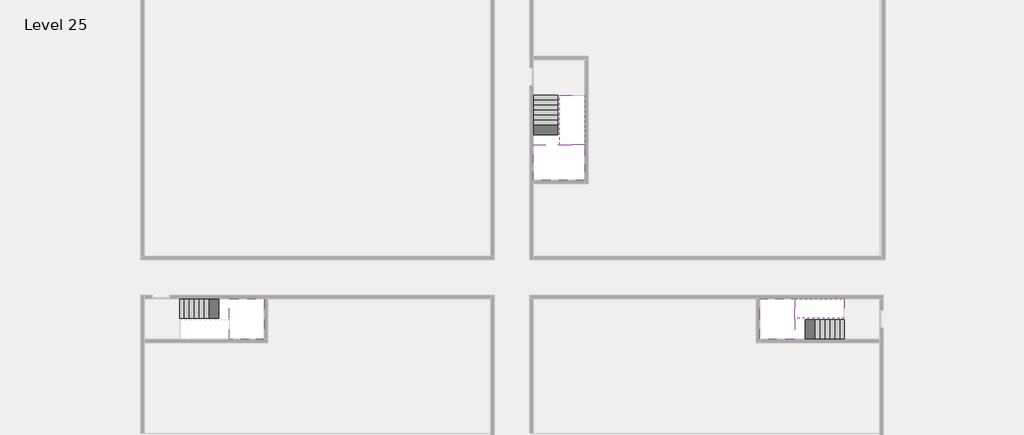
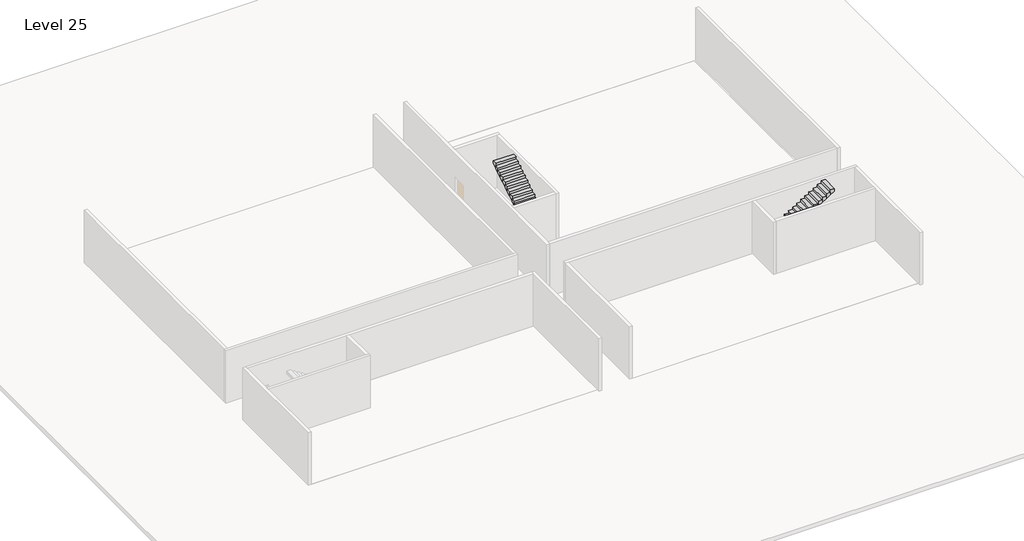
# One storey, part 2 of 2: 5 stair flights, 3 slabs.
"""IFC4 building model written with IfcOpenShell, lengths in millimetres."""

from ifc_helpers import new_model, si_unit, origin, place, context, project, spatial, faceted_brep, element, save

model = new_model("IFC4")

# Units and contexts
model_context = context("Model", 3, world=origin())
ifc_project = project(units=[si_unit("LENGTHUNIT", "METRE", prefix="MILLI")], contexts=[model_context])

# Site, building, storey
site = spatial("IfcSite", under=ifc_project)
building = spatial("IfcBuilding", under=site)
storey = spatial("IfcBuildingStorey", under=building, Name="Level 25", Elevation=91200.0)

# Slabs
placement = place(None, origin())
element("IfcSlab", 1, at=placement, inside=storey, context=model_context, shape_type="Brep", body=[
    faceted_brep([(8190.1058784, -42918.09644, 93100.0), (8190.1058784, -44018.09644, 93100.0), (8190.1058784, -44118.09644, 93100.0), (8190.1058784, -45218.09644, 93100.0), (8390.7194421, -45218.09644, 93100.0), (10190.1058784, -45218.09644, 93100.0), (10190.1058784, -42918.09644, 93100.0), (8269.4923146, -42918.09644, 93100.0), (8190.1058784, -42918.09644, 92927.2727273), (8190.1058784, -42918.09644, 92751.0278478), (8190.1058784, -44018.09644, 92751.0278478), (8190.1058784, -44018.09644, 92800.0), (8190.1058784, -44118.09644, 92800.0), (8190.1058784, -44118.09644, 92923.7551205), (8190.1058784, -45218.09644, 92923.7551205), (8390.7194421, -45218.09644, 92800.0), (10190.1058784, -45218.09644, 92800.0), (10190.1058784, -42918.09644, 92800.0), (8269.4923146, -42918.09644, 92800.0), (8390.7194421, -44118.09644, 92800.0), (8269.4923146, -44018.09644, 92800.0)], [[[0, 1, 2, 3, 4, 5, 6, 7]], [[1, 0, 8, 9, 10, 11]], [[2, 1, 11, 12, 13]], [[3, 2, 13, 14]], [[3, 14, 15, 16, 5, 4]], [[6, 5, 16, 17]], [[9, 8, 0, 7, 6, 17, 18]], [[19, 12, 11, 20, 18, 17, 16, 15]], [[12, 19, 13]], [[18, 20, 10, 9]], [[20, 11, 10]], [[19, 15, 14, 13]]]),
])
element("IfcSlab", 2, at=placement, inside=storey, context=model_context, shape_type="Brep", body=[
    faceted_brep([(40190.1058784, -45218.09644, 93100.0), (40190.1058784, -44118.09644, 93100.0), (40190.1058784, -44018.09644, 93100.0), (40190.1058784, -42918.09644, 93100.0), (39989.4923146, -42918.09644, 93100.0), (38190.1058784, -42918.09644, 93100.0), (38190.1058784, -45218.09644, 93100.0), (40110.7194421, -45218.09644, 93100.0), (40190.1058784, -45218.09644, 92927.2727273), (40190.1058784, -45218.09644, 92751.0278478), (40190.1058784, -44118.09644, 92751.0278478), (40190.1058784, -44118.09644, 92800.0), (40190.1058784, -44018.09644, 92800.0), (40190.1058784, -44018.09644, 92923.7551205), (40190.1058784, -42918.09644, 92923.7551205), (39989.4923146, -42918.09644, 92800.0), (38190.1058784, -42918.09644, 92800.0), (38190.1058784, -45218.09644, 92800.0), (40110.7194421, -45218.09644, 92800.0), (39989.4923146, -44018.09644, 92800.0), (40110.7194421, -44118.09644, 92800.0)], [[[0, 1, 2, 3, 4, 5, 6, 7]], [[1, 0, 8, 9, 10, 11]], [[2, 1, 11, 12, 13]], [[3, 2, 13, 14]], [[3, 14, 15, 16, 5, 4]], [[6, 5, 16, 17]], [[9, 8, 0, 7, 6, 17, 18]], [[19, 12, 11, 20, 18, 17, 16, 15]], [[12, 19, 13]], [[18, 20, 10, 9]], [[20, 11, 10]], [[19, 15, 14, 13]]]),
])
element("IfcSlab", 3, at=placement, inside=storey, context=model_context, shape_type="Brep", body=[
    faceted_brep([(26790.1058784, -34218.09644, 93100.0), (25390.1058784, -34218.09644, 93100.0), (25390.1058784, -34297.4828763, 93100.0), (25390.1058784, -36218.09644, 93100.0), (28290.1058784, -36218.09644, 93100.0), (28290.1058784, -34418.7100038, 93100.0), (28290.1058784, -34218.09644, 93100.0), (26890.1058784, -34218.09644, 93100.0), (26790.1058784, -34218.09644, 92800.0), (26790.1058784, -34218.09644, 92751.0278478), (25390.1058784, -34218.09644, 92751.0278478), (25390.1058784, -34218.09644, 92927.2727273), (25390.1058784, -34297.4828763, 92800.0), (25390.1058784, -36218.09644, 92800.0), (28290.1058784, -36218.09644, 92800.0), (28290.1058784, -34418.7100038, 92800.0), (28290.1058784, -34218.09644, 92923.7551205), (26890.1058784, -34218.09644, 92923.7551205), (26890.1058784, -34218.09644, 92800.0), (26890.1058784, -34418.7100038, 92800.0), (26790.1058784, -34297.4828763, 92800.0)], [[[0, 1, 2, 3, 4, 5, 6, 7]], [[1, 0, 8, 9, 10, 11]], [[1, 11, 10, 12, 13, 3, 2]], [[4, 3, 13, 14]], [[4, 14, 15, 16, 6, 5]], [[7, 6, 16, 17]], [[0, 7, 17, 18, 8]], [[18, 19, 15, 14, 13, 12, 20, 8]], [[19, 18, 17]], [[20, 12, 10, 9]], [[8, 20, 9]], [[15, 19, 17, 16]]]),
])

# Stair flights
element("IfcStairFlight", 4, at=placement, inside=storey, context=model_context, shape_type="Brep", body=[
    faceted_brep([(5670.1058784, -42918.09644, 91372.7272727), (5390.1058784, -42918.09644, 91372.7272727), (5390.1058784, -44018.09644, 91372.7272727), (5670.1058784, -44018.09644, 91372.7272727), (5670.1058784, -42918.09644, 91200.0), (5390.1058784, -42918.09644, 91200.0), (5390.1058784, -44018.09644, 91200.0), (5670.1058784, -44018.09644, 91200.0), (5950.1058784, -42918.09644, 91545.4545455), (5670.1058784, -42918.09644, 91545.4545455), (5670.1058784, -44018.09644, 91545.4545455), (5950.1058784, -44018.09644, 91545.4545455), (5950.1058784, -42918.09644, 91369.209666), (5675.8081041, -42918.09644, 91200.0), (5675.8081041, -44018.09644, 91200.0), (5950.1058784, -44018.09644, 91369.209666), (6230.1058784, -42918.09644, 91718.1818182), (5950.1058784, -42918.09644, 91718.1818182), (5950.1058784, -44018.09644, 91718.1818182), (6230.1058784, -44018.09644, 91718.1818182), (6230.1058784, -42918.09644, 91541.9369387), (6230.1058784, -44018.09644, 91541.9369387), (6510.1058784, -42918.09644, 91890.9090909), (6230.1058784, -42918.09644, 91890.9090909), (6230.1058784, -44018.09644, 91890.9090909), (6510.1058784, -44018.09644, 91890.9090909), (6510.1058784, -42918.09644, 91714.6642114), (6510.1058784, -44018.09644, 91714.6642114), (6790.1058784, -42918.09644, 92063.6363636), (6510.1058784, -42918.09644, 92063.6363636), (6510.1058784, -44018.09644, 92063.6363636), (6790.1058784, -44018.09644, 92063.6363636), (6790.1058784, -42918.09644, 91887.3914841), (6790.1058784, -44018.09644, 91887.3914841), (7070.1058784, -42918.09644, 92236.3636364), (6790.1058784, -42918.09644, 92236.3636364), (6790.1058784, -44018.09644, 92236.3636364), (7070.1058784, -44018.09644, 92236.3636364), (7070.1058784, -42918.09644, 92060.1187569), (7070.1058784, -44018.09644, 92060.1187569), (7350.1058784, -42918.09644, 92409.0909091), (7070.1058784, -42918.09644, 92409.0909091), (7070.1058784, -44018.09644, 92409.0909091), (7350.1058784, -44018.09644, 92409.0909091), (7350.1058784, -42918.09644, 92232.8460296), (7350.1058784, -44018.09644, 92232.8460296), (7630.1058784, -42918.09644, 92581.8181818), (7350.1058784, -42918.09644, 92581.8181818), (7350.1058784, -44018.09644, 92581.8181818), (7630.1058784, -44018.09644, 92581.8181818), (7630.1058784, -42918.09644, 92405.5733023), (7630.1058784, -44018.09644, 92405.5733023), (7910.1058784, -42918.09644, 92754.5454545), (7630.1058784, -42918.09644, 92754.5454545), (7630.1058784, -44018.09644, 92754.5454545), (7910.1058784, -44018.09644, 92754.5454545), (7910.1058784, -42918.09644, 92578.3005751), (7910.1058784, -44018.09644, 92578.3005751), (8190.1058784, -42918.09644, 92927.2727273), (7910.1058784, -42918.09644, 92927.2727273), (7910.1058784, -44018.09644, 92927.2727273), (8190.1058784, -44018.09644, 92927.2727273), (8190.1058784, -42918.09644, 92751.0278478), (8190.1058784, -44018.09644, 92751.0278478), (8190.1058784, -44018.09644, 92800.0)], [[[0, 1, 2, 3]], [[1, 0, 4, 5]], [[2, 1, 5, 6]], [[3, 2, 6, 7]], [[8, 9, 10, 11]], [[4, 0, 9, 8, 12, 13]], [[0, 3, 10, 9]], [[3, 7, 14, 15, 11, 10]], [[16, 17, 18, 19]], [[17, 16, 20, 12, 8]], [[8, 11, 18, 17]], [[19, 18, 11, 15, 21]], [[22, 23, 24, 25]], [[23, 22, 26, 20, 16]], [[16, 19, 24, 23]], [[25, 24, 19, 21, 27]], [[28, 29, 30, 31]], [[29, 28, 32, 26, 22]], [[22, 25, 30, 29]], [[31, 30, 25, 27, 33]], [[34, 35, 36, 37]], [[35, 34, 38, 32, 28]], [[28, 31, 36, 35]], [[37, 36, 31, 33, 39]], [[40, 41, 42, 43]], [[41, 40, 44, 38, 34]], [[34, 37, 42, 41]], [[43, 42, 37, 39, 45]], [[46, 47, 48, 49]], [[47, 46, 50, 44, 40]], [[40, 43, 48, 47]], [[49, 48, 43, 45, 51]], [[52, 53, 54, 55]], [[53, 52, 56, 50, 46]], [[46, 49, 54, 53]], [[55, 54, 49, 51, 57]], [[58, 59, 60, 61]], [[59, 58, 62, 56, 52]], [[52, 55, 60, 59]], [[61, 60, 55, 57, 63, 64]], [[58, 61, 64, 63, 62]], [[5, 4, 13, 14, 7, 6]], [[14, 13, 12, 20, 26, 32, 38, 44, 50, 56, 62, 63, 57, 51, 45, 39, 33, 27, 21, 15]]]),
])
element("IfcStairFlight", 5, at=placement, inside=storey, context=model_context, shape_type="Brep", body=[
    faceted_brep([(42710.1058784, -45218.09644, 91372.7272727), (42990.1058784, -45218.09644, 91372.7272727), (42990.1058784, -44118.09644, 91372.7272727), (42710.1058784, -44118.09644, 91372.7272727), (42710.1058784, -45218.09644, 91200.0), (42990.1058784, -45218.09644, 91200.0), (42990.1058784, -44118.09644, 91200.0), (42710.1058784, -44118.09644, 91200.0), (42430.1058784, -45218.09644, 91545.4545455), (42710.1058784, -45218.09644, 91545.4545455), (42710.1058784, -44118.09644, 91545.4545455), (42430.1058784, -44118.09644, 91545.4545455), (42430.1058784, -45218.09644, 91369.209666), (42704.4036527, -45218.09644, 91200.0), (42704.4036527, -44118.09644, 91200.0), (42430.1058784, -44118.09644, 91369.209666), (42150.1058784, -45218.09644, 91718.1818182), (42430.1058784, -45218.09644, 91718.1818182), (42430.1058784, -44118.09644, 91718.1818182), (42150.1058784, -44118.09644, 91718.1818182), (42150.1058784, -45218.09644, 91541.9369387), (42150.1058784, -44118.09644, 91541.9369387), (41870.1058784, -45218.09644, 91890.9090909), (42150.1058784, -45218.09644, 91890.9090909), (42150.1058784, -44118.09644, 91890.9090909), (41870.1058784, -44118.09644, 91890.9090909), (41870.1058784, -45218.09644, 91714.6642114), (41870.1058784, -44118.09644, 91714.6642114), (41590.1058784, -45218.09644, 92063.6363636), (41870.1058784, -45218.09644, 92063.6363636), (41870.1058784, -44118.09644, 92063.6363636), (41590.1058784, -44118.09644, 92063.6363636), (41590.1058784, -45218.09644, 91887.3914841), (41590.1058784, -44118.09644, 91887.3914841), (41310.1058784, -45218.09644, 92236.3636364), (41590.1058784, -45218.09644, 92236.3636364), (41590.1058784, -44118.09644, 92236.3636364), (41310.1058784, -44118.09644, 92236.3636364), (41310.1058784, -45218.09644, 92060.1187569), (41310.1058784, -44118.09644, 92060.1187569), (41030.1058784, -45218.09644, 92409.0909091), (41310.1058784, -45218.09644, 92409.0909091), (41310.1058784, -44118.09644, 92409.0909091), (41030.1058784, -44118.09644, 92409.0909091), (41030.1058784, -45218.09644, 92232.8460296), (41030.1058784, -44118.09644, 92232.8460296), (40750.1058784, -45218.09644, 92581.8181818), (41030.1058784, -45218.09644, 92581.8181818), (41030.1058784, -44118.09644, 92581.8181818), (40750.1058784, -44118.09644, 92581.8181818), (40750.1058784, -45218.09644, 92405.5733023), (40750.1058784, -44118.09644, 92405.5733023), (40470.1058784, -45218.09644, 92754.5454545), (40750.1058784, -45218.09644, 92754.5454545), (40750.1058784, -44118.09644, 92754.5454545), (40470.1058784, -44118.09644, 92754.5454545), (40470.1058784, -45218.09644, 92578.3005751), (40470.1058784, -44118.09644, 92578.3005751), (40190.1058784, -45218.09644, 92927.2727273), (40470.1058784, -45218.09644, 92927.2727273), (40470.1058784, -44118.09644, 92927.2727273), (40190.1058784, -44118.09644, 92927.2727273), (40190.1058784, -45218.09644, 92751.0278478), (40190.1058784, -44118.09644, 92751.0278478), (40190.1058784, -44118.09644, 92800.0)], [[[0, 1, 2, 3]], [[1, 0, 4, 5]], [[2, 1, 5, 6]], [[3, 2, 6, 7]], [[8, 9, 10, 11]], [[4, 0, 9, 8, 12, 13]], [[0, 3, 10, 9]], [[3, 7, 14, 15, 11, 10]], [[16, 17, 18, 19]], [[17, 16, 20, 12, 8]], [[8, 11, 18, 17]], [[19, 18, 11, 15, 21]], [[22, 23, 24, 25]], [[23, 22, 26, 20, 16]], [[16, 19, 24, 23]], [[25, 24, 19, 21, 27]], [[28, 29, 30, 31]], [[29, 28, 32, 26, 22]], [[22, 25, 30, 29]], [[31, 30, 25, 27, 33]], [[34, 35, 36, 37]], [[35, 34, 38, 32, 28]], [[28, 31, 36, 35]], [[37, 36, 31, 33, 39]], [[40, 41, 42, 43]], [[41, 40, 44, 38, 34]], [[34, 37, 42, 41]], [[43, 42, 37, 39, 45]], [[46, 47, 48, 49]], [[47, 46, 50, 44, 40]], [[40, 43, 48, 47]], [[49, 48, 43, 45, 51]], [[52, 53, 54, 55]], [[53, 52, 56, 50, 46]], [[46, 49, 54, 53]], [[55, 54, 49, 51, 57]], [[58, 59, 60, 61]], [[59, 58, 62, 56, 52]], [[52, 55, 60, 59]], [[61, 60, 55, 57, 63, 64]], [[58, 61, 64, 63, 62]], [[5, 4, 13, 14, 7, 6]], [[14, 13, 12, 20, 26, 32, 38, 44, 50, 56, 62, 63, 57, 51, 45, 39, 33, 27, 21, 15]]]),
])
element("IfcStairFlight", 6, at=placement, inside=storey, context=model_context, shape_type="Brep", body=[
    faceted_brep([(40470.1058784, -42918.09644, 93272.7272727), (40190.1058784, -42918.09644, 93272.7272727), (40190.1058784, -44018.09644, 93272.7272727), (40470.1058784, -44018.09644, 93272.7272727), (40470.1058784, -42918.09644, 93096.4823932), (40190.1058784, -42918.09644, 92923.7551205), (40190.1058784, -42918.09644, 93100.0), (40190.1058784, -44018.09644, 92923.7551205), (40470.1058784, -44018.09644, 93096.4823932), (40750.1058784, -42918.09644, 93445.4545455), (40470.1058784, -42918.09644, 93445.4545455), (40470.1058784, -44018.09644, 93445.4545455), (40750.1058784, -44018.09644, 93445.4545455), (40750.1058784, -42918.09644, 93269.209666), (40750.1058784, -44018.09644, 93269.209666), (41030.1058784, -42918.09644, 93618.1818182), (40750.1058784, -42918.09644, 93618.1818182), (40750.1058784, -44018.09644, 93618.1818182), (41030.1058784, -44018.09644, 93618.1818182), (41030.1058784, -42918.09644, 93441.9369387), (41030.1058784, -44018.09644, 93441.9369387), (41310.1058784, -42918.09644, 93790.9090909), (41030.1058784, -42918.09644, 93790.9090909), (41030.1058784, -44018.09644, 93790.9090909), (41310.1058784, -44018.09644, 93790.9090909), (41310.1058784, -42918.09644, 93614.6642114), (41310.1058784, -44018.09644, 93614.6642114), (41590.1058784, -42918.09644, 93963.6363636), (41310.1058784, -42918.09644, 93963.6363636), (41310.1058784, -44018.09644, 93963.6363636), (41590.1058784, -44018.09644, 93963.6363636), (41590.1058784, -42918.09644, 93787.3914841), (41590.1058784, -44018.09644, 93787.3914841), (41870.1058784, -42918.09644, 94136.3636364), (41590.1058784, -42918.09644, 94136.3636364), (41590.1058784, -44018.09644, 94136.3636364), (41870.1058784, -44018.09644, 94136.3636364), (41870.1058784, -42918.09644, 93960.1187569), (41870.1058784, -44018.09644, 93960.1187569), (42150.1058784, -42918.09644, 94309.0909091), (41870.1058784, -42918.09644, 94309.0909091), (41870.1058784, -44018.09644, 94309.0909091), (42150.1058784, -44018.09644, 94309.0909091), (42150.1058784, -42918.09644, 94132.8460296), (42150.1058784, -44018.09644, 94132.8460296), (42430.1058784, -42918.09644, 94481.8181818), (42150.1058784, -42918.09644, 94481.8181818), (42150.1058784, -44018.09644, 94481.8181818), (42430.1058784, -44018.09644, 94481.8181818), (42430.1058784, -42918.09644, 94305.5733023), (42430.1058784, -44018.09644, 94305.5733023), (42710.1058784, -42918.09644, 94654.5454545), (42430.1058784, -42918.09644, 94654.5454545), (42430.1058784, -44018.09644, 94654.5454545), (42710.1058784, -44018.09644, 94654.5454545), (42710.1058784, -42918.09644, 94478.3005751), (42710.1058784, -44018.09644, 94478.3005751), (42990.1058784, -42918.09644, 94827.2727273), (42710.1058784, -42918.09644, 94827.2727273), (42710.1058784, -44018.09644, 94827.2727273), (42990.1058784, -44018.09644, 94827.2727273), (42990.1058784, -42918.09644, 94651.0278478), (42990.1058784, -44018.09644, 94651.0278478)], [[[0, 1, 2, 3]], [[1, 0, 4, 5, 6]], [[2, 1, 6, 5, 7]], [[3, 2, 7, 8]], [[9, 10, 11, 12]], [[10, 9, 13, 4, 0]], [[11, 10, 0, 3]], [[12, 11, 3, 8, 14]], [[15, 16, 17, 18]], [[16, 15, 19, 13, 9]], [[17, 16, 9, 12]], [[18, 17, 12, 14, 20]], [[21, 22, 23, 24]], [[22, 21, 25, 19, 15]], [[23, 22, 15, 18]], [[24, 23, 18, 20, 26]], [[27, 28, 29, 30]], [[28, 27, 31, 25, 21]], [[29, 28, 21, 24]], [[30, 29, 24, 26, 32]], [[33, 34, 35, 36]], [[34, 33, 37, 31, 27]], [[35, 34, 27, 30]], [[36, 35, 30, 32, 38]], [[39, 40, 41, 42]], [[40, 39, 43, 37, 33]], [[41, 40, 33, 36]], [[42, 41, 36, 38, 44]], [[45, 46, 47, 48]], [[46, 45, 49, 43, 39]], [[47, 46, 39, 42]], [[48, 47, 42, 44, 50]], [[51, 52, 53, 54]], [[52, 51, 55, 49, 45]], [[53, 52, 45, 48]], [[54, 53, 48, 50, 56]], [[57, 58, 59, 60]], [[58, 57, 61, 55, 51]], [[59, 58, 51, 54]], [[60, 59, 54, 56, 62]], [[57, 60, 62, 61]], [[5, 4, 13, 19, 25, 31, 37, 43, 49, 55, 61, 62, 56, 50, 44, 38, 32, 26, 20, 14, 8, 7]]]),
])
element("IfcStairFlight", 7, at=placement, inside=storey, context=model_context, shape_type="Brep", body=[
    faceted_brep([(26790.1058784, -31698.09644, 91372.7272727), (26790.1058784, -31418.09644, 91372.7272727), (25390.1058784, -31418.09644, 91372.7272727), (25390.1058784, -31698.09644, 91372.7272727), (26790.1058784, -31698.09644, 91200.0), (26790.1058784, -31418.09644, 91200.0), (25390.1058784, -31418.09644, 91200.0), (25390.1058784, -31698.09644, 91200.0), (26790.1058784, -31978.09644, 91545.4545455), (26790.1058784, -31698.09644, 91545.4545455), (25390.1058784, -31698.09644, 91545.4545455), (25390.1058784, -31978.09644, 91545.4545455), (26790.1058784, -31978.09644, 91369.209666), (26790.1058784, -31703.7986657, 91200.0), (25390.1058784, -31703.7986657, 91200.0), (25390.1058784, -31978.09644, 91369.209666), (26790.1058784, -32258.09644, 91718.1818182), (26790.1058784, -31978.09644, 91718.1818182), (25390.1058784, -31978.09644, 91718.1818182), (25390.1058784, -32258.09644, 91718.1818182), (26790.1058784, -32258.09644, 91541.9369387), (25390.1058784, -32258.09644, 91541.9369387), (26790.1058784, -32538.09644, 91890.9090909), (26790.1058784, -32258.09644, 91890.9090909), (25390.1058784, -32258.09644, 91890.9090909), (25390.1058784, -32538.09644, 91890.9090909), (26790.1058784, -32538.09644, 91714.6642114), (25390.1058784, -32538.09644, 91714.6642114), (26790.1058784, -32818.09644, 92063.6363636), (26790.1058784, -32538.09644, 92063.6363636), (25390.1058784, -32538.09644, 92063.6363636), (25390.1058784, -32818.09644, 92063.6363636), (26790.1058784, -32818.09644, 91887.3914841), (25390.1058784, -32818.09644, 91887.3914841), (26790.1058784, -33098.09644, 92236.3636364), (26790.1058784, -32818.09644, 92236.3636364), (25390.1058784, -32818.09644, 92236.3636364), (25390.1058784, -33098.09644, 92236.3636364), (26790.1058784, -33098.09644, 92060.1187569), (25390.1058784, -33098.09644, 92060.1187569), (26790.1058784, -33378.09644, 92409.0909091), (26790.1058784, -33098.09644, 92409.0909091), (25390.1058784, -33098.09644, 92409.0909091), (25390.1058784, -33378.09644, 92409.0909091), (26790.1058784, -33378.09644, 92232.8460296), (25390.1058784, -33378.09644, 92232.8460296), (26790.1058784, -33658.09644, 92581.8181818), (26790.1058784, -33378.09644, 92581.8181818), (25390.1058784, -33378.09644, 92581.8181818), (25390.1058784, -33658.09644, 92581.8181818), (26790.1058784, -33658.09644, 92405.5733023), (25390.1058784, -33658.09644, 92405.5733023), (26790.1058784, -33938.09644, 92754.5454545), (26790.1058784, -33658.09644, 92754.5454545), (25390.1058784, -33658.09644, 92754.5454545), (25390.1058784, -33938.09644, 92754.5454545), (26790.1058784, -33938.09644, 92578.3005751), (25390.1058784, -33938.09644, 92578.3005751), (26790.1058784, -34218.09644, 92927.2727273), (26790.1058784, -33938.09644, 92927.2727273), (25390.1058784, -33938.09644, 92927.2727273), (25390.1058784, -34218.09644, 92927.2727273), (26790.1058784, -34218.09644, 92800.0), (26790.1058784, -34218.09644, 92751.0278478), (25390.1058784, -34218.09644, 92751.0278478)], [[[0, 1, 2, 3]], [[1, 0, 4, 5]], [[2, 1, 5, 6]], [[3, 2, 6, 7]], [[8, 9, 10, 11]], [[4, 0, 9, 8, 12, 13]], [[0, 3, 10, 9]], [[3, 7, 14, 15, 11, 10]], [[16, 17, 18, 19]], [[17, 16, 20, 12, 8]], [[8, 11, 18, 17]], [[19, 18, 11, 15, 21]], [[22, 23, 24, 25]], [[23, 22, 26, 20, 16]], [[16, 19, 24, 23]], [[25, 24, 19, 21, 27]], [[28, 29, 30, 31]], [[29, 28, 32, 26, 22]], [[22, 25, 30, 29]], [[31, 30, 25, 27, 33]], [[34, 35, 36, 37]], [[35, 34, 38, 32, 28]], [[28, 31, 36, 35]], [[37, 36, 31, 33, 39]], [[40, 41, 42, 43]], [[41, 40, 44, 38, 34]], [[34, 37, 42, 41]], [[43, 42, 37, 39, 45]], [[46, 47, 48, 49]], [[47, 46, 50, 44, 40]], [[40, 43, 48, 47]], [[49, 48, 43, 45, 51]], [[52, 53, 54, 55]], [[53, 52, 56, 50, 46]], [[46, 49, 54, 53]], [[55, 54, 49, 51, 57]], [[58, 59, 60, 61]], [[59, 58, 62, 63, 56, 52]], [[52, 55, 60, 59]], [[61, 60, 55, 57, 64]], [[58, 61, 64, 63, 62]], [[5, 4, 13, 14, 7, 6]], [[14, 13, 12, 20, 26, 32, 38, 44, 50, 56, 63, 64, 57, 51, 45, 39, 33, 27, 21, 15]]]),
])
element("IfcStairFlight", 8, at=placement, inside=storey, context=model_context, shape_type="Brep", body=[
    faceted_brep([(26890.1058784, -33938.09644, 93272.7272727), (26890.1058784, -34218.09644, 93272.7272727), (28290.1058784, -34218.09644, 93272.7272727), (28290.1058784, -33938.09644, 93272.7272727), (26890.1058784, -33938.09644, 93096.4823932), (26890.1058784, -34218.09644, 92923.7551205), (28290.1058784, -34218.09644, 92923.7551205), (28290.1058784, -34218.09644, 93100.0), (28290.1058784, -33938.09644, 93096.4823932), (26890.1058784, -33658.09644, 93445.4545455), (26890.1058784, -33938.09644, 93445.4545455), (28290.1058784, -33938.09644, 93445.4545455), (28290.1058784, -33658.09644, 93445.4545455), (26890.1058784, -33658.09644, 93269.209666), (28290.1058784, -33658.09644, 93269.209666), (26890.1058784, -33378.09644, 93618.1818182), (26890.1058784, -33658.09644, 93618.1818182), (28290.1058784, -33658.09644, 93618.1818182), (28290.1058784, -33378.09644, 93618.1818182), (26890.1058784, -33378.09644, 93441.9369387), (28290.1058784, -33378.09644, 93441.9369387), (26890.1058784, -33098.09644, 93790.9090909), (26890.1058784, -33378.09644, 93790.9090909), (28290.1058784, -33378.09644, 93790.9090909), (28290.1058784, -33098.09644, 93790.9090909), (26890.1058784, -33098.09644, 93614.6642114), (28290.1058784, -33098.09644, 93614.6642114), (26890.1058784, -32818.09644, 93963.6363636), (26890.1058784, -33098.09644, 93963.6363636), (28290.1058784, -33098.09644, 93963.6363636), (28290.1058784, -32818.09644, 93963.6363636), (26890.1058784, -32818.09644, 93787.3914841), (28290.1058784, -32818.09644, 93787.3914841), (26890.1058784, -32538.09644, 94136.3636364), (26890.1058784, -32818.09644, 94136.3636364), (28290.1058784, -32818.09644, 94136.3636364), (28290.1058784, -32538.09644, 94136.3636364), (26890.1058784, -32538.09644, 93960.1187569), (28290.1058784, -32538.09644, 93960.1187569), (26890.1058784, -32258.09644, 94309.0909091), (26890.1058784, -32538.09644, 94309.0909091), (28290.1058784, -32538.09644, 94309.0909091), (28290.1058784, -32258.09644, 94309.0909091), (26890.1058784, -32258.09644, 94132.8460296), (28290.1058784, -32258.09644, 94132.8460296), (26890.1058784, -31978.09644, 94481.8181818), (26890.1058784, -32258.09644, 94481.8181818), (28290.1058784, -32258.09644, 94481.8181818), (28290.1058784, -31978.09644, 94481.8181818), (26890.1058784, -31978.09644, 94305.5733023), (28290.1058784, -31978.09644, 94305.5733023), (26890.1058784, -31698.09644, 94654.5454545), (26890.1058784, -31978.09644, 94654.5454545), (28290.1058784, -31978.09644, 94654.5454545), (28290.1058784, -31698.09644, 94654.5454545), (26890.1058784, -31698.09644, 94478.3005751), (28290.1058784, -31698.09644, 94478.3005751), (26890.1058784, -31418.09644, 94827.2727273), (26890.1058784, -31698.09644, 94827.2727273), (28290.1058784, -31698.09644, 94827.2727273), (28290.1058784, -31418.09644, 94827.2727273), (26890.1058784, -31418.09644, 94651.0278478), (28290.1058784, -31418.09644, 94651.0278478)], [[[0, 1, 2, 3]], [[1, 0, 4, 5]], [[2, 1, 5, 6, 7]], [[3, 2, 7, 6, 8]], [[9, 10, 11, 12]], [[10, 9, 13, 4, 0]], [[11, 10, 0, 3]], [[12, 11, 3, 8, 14]], [[15, 16, 17, 18]], [[16, 15, 19, 13, 9]], [[17, 16, 9, 12]], [[18, 17, 12, 14, 20]], [[21, 22, 23, 24]], [[22, 21, 25, 19, 15]], [[23, 22, 15, 18]], [[24, 23, 18, 20, 26]], [[27, 28, 29, 30]], [[28, 27, 31, 25, 21]], [[29, 28, 21, 24]], [[30, 29, 24, 26, 32]], [[33, 34, 35, 36]], [[34, 33, 37, 31, 27]], [[35, 34, 27, 30]], [[36, 35, 30, 32, 38]], [[39, 40, 41, 42]], [[40, 39, 43, 37, 33]], [[41, 40, 33, 36]], [[42, 41, 36, 38, 44]], [[45, 46, 47, 48]], [[46, 45, 49, 43, 39]], [[47, 46, 39, 42]], [[48, 47, 42, 44, 50]], [[51, 52, 53, 54]], [[52, 51, 55, 49, 45]], [[53, 52, 45, 48]], [[54, 53, 48, 50, 56]], [[57, 58, 59, 60]], [[58, 57, 61, 55, 51]], [[59, 58, 51, 54]], [[60, 59, 54, 56, 62]], [[57, 60, 62, 61]], [[5, 4, 13, 19, 25, 31, 37, 43, 49, 55, 61, 62, 56, 50, 44, 38, 32, 26, 20, 14, 8, 6]]]),
])

save(model, "model.ifc")
